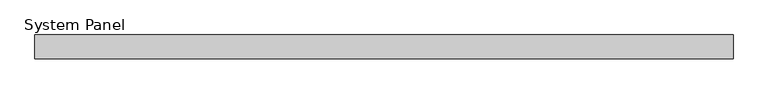
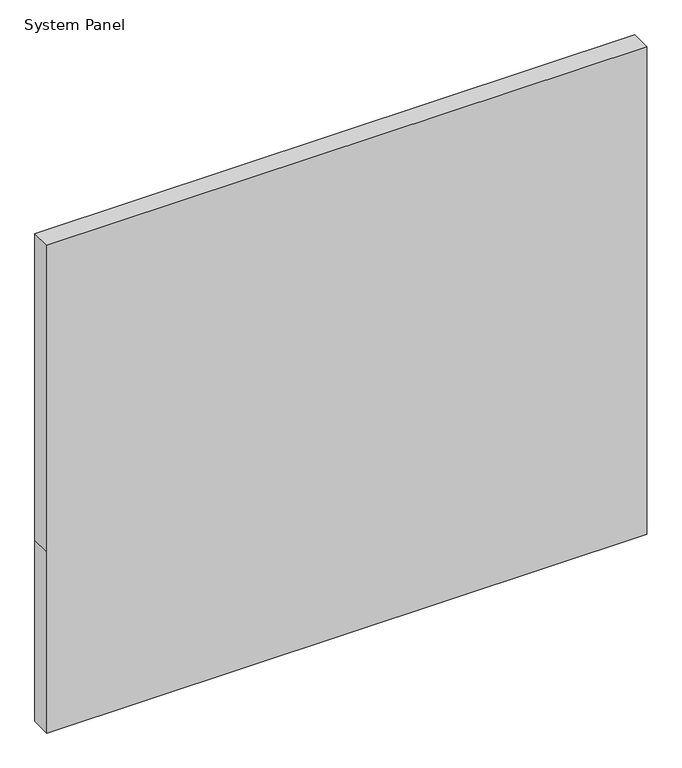
"""IFC4 building model written with IfcOpenShell, lengths in millimetres: plate geometry, System Panel."""

from ifc_helpers import new_model, si_unit, frame, origin, place, context, project, spatial, polyline, outline, extrude, source, transform, mapped, element, save


def system_panel_6ef6189d(model_context):
    return source(origin(), model_context, "Body", "SweptSolid", [
        extrude(outline(polyline([(0.0, -587.5), (0.0, 587.5), (375.0, 587.5), (1010.0, 587.5), (1010.0, -587.5), (375.0, -587.5), (0.0, -587.5)])), frame((0.0, -54.0, 0.0), z_axis=(0.0, 1.0, 0.0), x_axis=(0.0, 0.0, 1.0)), (0.0, 0.0, 1.0), 40.0),
    ])


if __name__ == "__main__":
    model = new_model("IFC4")
    model_context = context("Model", 3, world=origin())
    ifc_project = project(units=[si_unit("LENGTHUNIT", "METRE", prefix="MILLI")], contexts=[model_context])
    site = spatial("IfcSite", under=ifc_project)
    building = spatial("IfcBuilding", under=site)
    placement = place(None, origin())
    system_panel_shape = system_panel_6ef6189d(model_context)
    element("IfcPlate", 1, ObjectType="System Panel", at=placement, inside=building, context=model_context, shape_type="MappedRepresentation", body=[
        mapped(system_panel_shape, transform((0.0, 0.0, 0.0), x_axis=(1.0, 0.0, 0.0), y_axis=(0.0, 1.0, 0.0), z_axis=(0.0, 0.0, 1.0))),
    ])
    save(model, "model.ifc")
